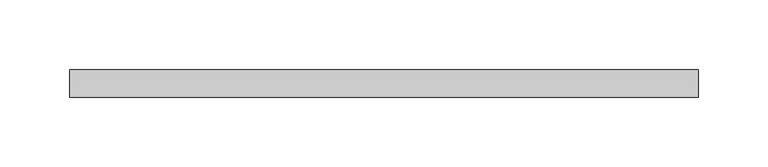
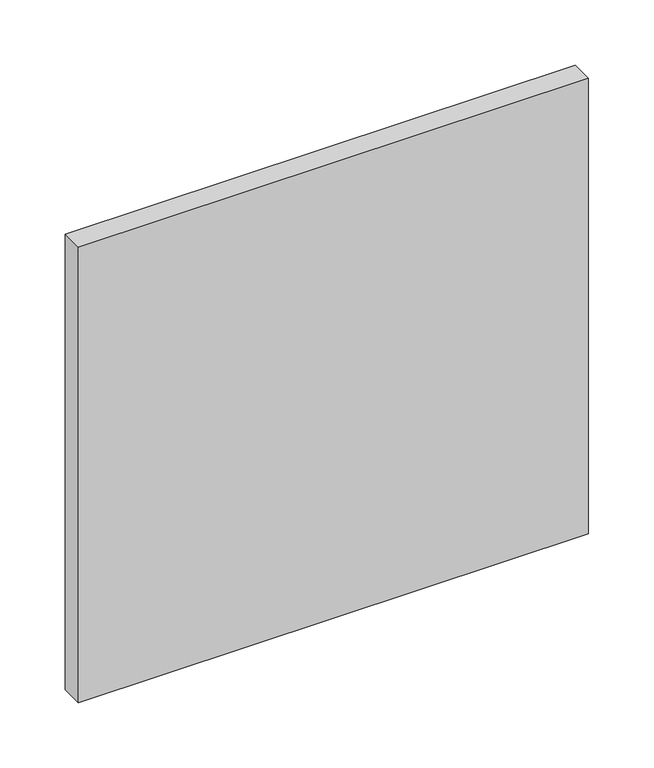
"""IFC4 building model written with IfcOpenShell, lengths in millimetres: plate geometry."""

from ifc_helpers import new_model, si_unit, origin, origin_with_axes, place, context, project, spatial, polyline, outline, extrude, source, transform, mapped, element, save


def plate_4097cfc1(model_context):
    return source(origin(), model_context, "Body", "SweptSolid", [
        extrude(outline(polyline([(226.25, 70.0), (-226.25, 70.0), (-226.25, 90.0), (226.25, 90.0), (226.25, 70.0)])), origin_with_axes(), (0.0, 0.0, 1.0), 427.3076923),
    ])


if __name__ == "__main__":
    model = new_model("IFC4")
    model_context = context("Model", 3, world=origin())
    ifc_project = project(units=[si_unit("LENGTHUNIT", "METRE", prefix="MILLI")], contexts=[model_context])
    site = spatial("IfcSite", under=ifc_project)
    building = spatial("IfcBuilding", under=site)
    placement = place(None, origin())
    plate_shape = plate_4097cfc1(model_context)
    element("IfcPlate", 1, at=placement, inside=building, context=model_context, shape_type="MappedRepresentation", body=[
        mapped(plate_shape, transform((0.0, 0.0, 0.0), x_axis=(1.0, 0.0, 0.0), y_axis=(0.0, 1.0, 0.0), z_axis=(0.0, 0.0, 1.0))),
    ])
    save(model, "model.ifc")
